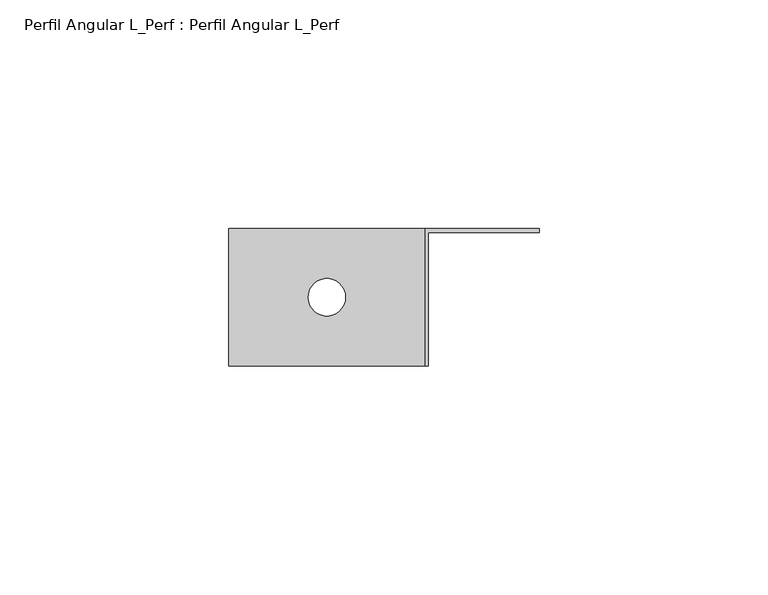
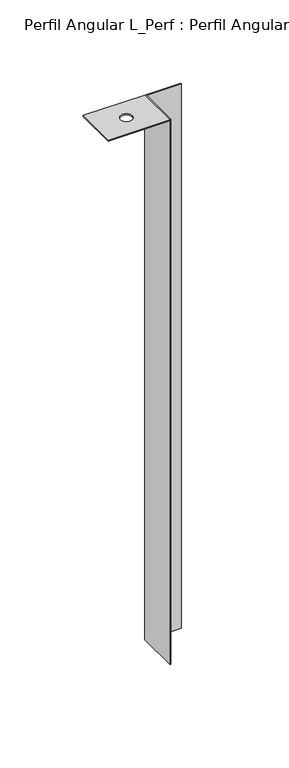
"""IFC4 building model written with IfcOpenShell, lengths in millimetres: proxy geometry, Perfil Angular L_Perf : Perfil Angular L_Perf."""

from ifc_helpers import new_model, si_unit, point, frame, frame_2d, origin, origin_with_axes, place, context, project, spatial, polyline, circle_curve, trimmed, segment, composite_curve, outline, extrude, source, transform, mapped, element, save


def perfil_angular_l_perf_perfil_angular_l_perf_39892d6f(model_context):
    return source(origin(), model_context, "Body", "SweptSolid", [
        extrude(outline(polyline([(-55.2912174, 15.8), (-12.5, 15.8), (-12.5, -14.2), (-55.2912174, -14.2), (-55.2912174, 15.8)]), holes=[composite_curve([segment(trimmed(circle_curve(frame_2d((-33.8956087, 0.8)), 4.079024), [point((-37.9746327, 0.8))], [point((-29.8165847, 0.8))], True, "CARTESIAN"), True, "CONTINUOUS"), segment(trimmed(circle_curve(frame_2d((-33.8956087, 0.8)), 4.079024), [point((-29.8165847, 0.8))], [point((-37.9746327, 0.8))], True, "CARTESIAN"), True, "CONTINUOUS")], self_intersect=False)]), frame((0.0, 0.0, 399.2), z_axis=(0.0, 0.0, 1.0), x_axis=(1.0, 0.0, 0.0)), (0.0, 0.0, 1.0), 0.8),
        extrude(outline(polyline([(-12.5, 15.8), (12.5, 15.8), (12.5, 15.0), (-11.7, 15.0), (-11.7, -14.2), (-12.5, -14.2), (-12.5, 15.8)])), origin_with_axes(), (0.0, 0.0, 1.0), 400.0),
    ])


if __name__ == "__main__":
    model = new_model("IFC4")
    model_context = context("Model", 3, world=origin())
    ifc_project = project(units=[si_unit("LENGTHUNIT", "METRE", prefix="MILLI")], contexts=[model_context])
    site = spatial("IfcSite", under=ifc_project)
    building = spatial("IfcBuilding", under=site)
    placement = place(None, origin())
    perfil_angular_l_perf_perfil_angular_l_perf_shape = perfil_angular_l_perf_perfil_angular_l_perf_39892d6f(model_context)
    element("IfcBuildingElementProxy", 1, Name="Perfil Angular L_Perf : Perfil Angular L_Perf", ObjectType="Perfil Angular L_Perf : Perfil Angular L_Perf", at=placement, inside=building, context=model_context, shape_type="MappedRepresentation", body=[
        mapped(perfil_angular_l_perf_perfil_angular_l_perf_shape, transform((0.0, 0.0, 0.0), x_axis=(1.0, 0.0, 0.0), y_axis=(0.0, 1.0, 0.0), z_axis=(0.0, 0.0, 1.0))),
    ])
    save(model, "model.ifc")
